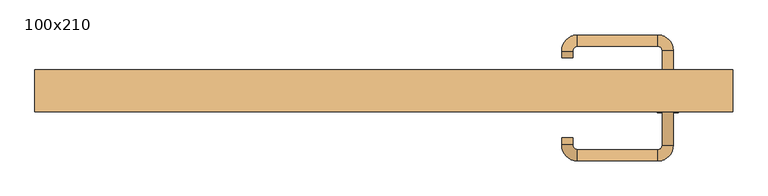
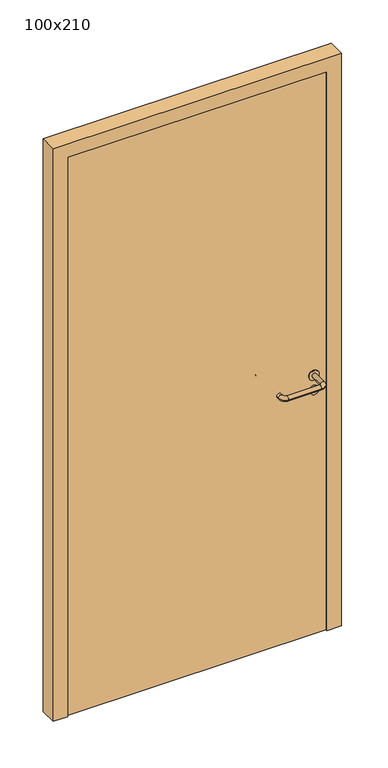
"""IFC4 building model written with IfcOpenShell, lengths in millimetres: door geometry, 100x210."""

import ifcopenshell
import ifcopenshell.guid

model = None  # the IFC model being written
_history = None  # IfcOwnerHistory: only IFC2X3 demands one
_inside = {}  # id of a spatial element -> (the spatial element, [elements in it])
_under = {}  # id of a project, library or spatial element -> (it, [spatial elements below it])
_declared = {}  # id of a project -> (the project, [libraries it declares])
_typed = {}  # id of a type object -> (the type object, [elements of that type])
_made_of = {}  # id of a material, layer set ... -> (it, [elements and type objects made of it])


def new_model(schema):
    """Start an empty IFC model of exactly this schema.

    Asked for "IFC4X3", IfcOpenShell would pick the latest addendum, in which some entities
    have other attributes; the version numbers below select the first issue.
    IFC2X3 requires an IfcOwnerHistory on every rooted entity: one is made here for all.
    """
    global model, _history
    if schema == "IFC4X3":
        model = ifcopenshell.file(schema_version=(4, 3, 0, 0))
    else:
        model = ifcopenshell.file(schema=schema)
    _inside.clear()
    _under.clear()
    _declared.clear()
    _typed.clear()
    _made_of.clear()
    _history = None
    if model.schema == "IFC2X3":
        org = make("IfcOrganization", Name="unknown")
        user = make(
            "IfcPersonAndOrganization",
            ThePerson=make("IfcPerson", FamilyName="unknown"),
            TheOrganization=org,
        )
        app = make(
            "IfcApplication",
            ApplicationDeveloper=org,
            Version="unknown",
            ApplicationFullName="unknown",
            ApplicationIdentifier="unknown",
        )
        _history = make(
            "IfcOwnerHistory",
            OwningUser=user,
            OwningApplication=app,
            ChangeAction="ADDED",
            CreationDate=0,
        )
    return model


def make(cls, **values):
    """One entity of the class cls with the attributes given. An attribute that is None is left unset."""
    return model.create_entity(
        cls, **{name: value for name, value in values.items() if value is not None}
    )


def rooted(cls, **values):
    """An entity with a GlobalId (a new one), such as an element, a storey or a relation."""
    return make(cls, GlobalId=ifcopenshell.guid.new(), OwnerHistory=_history, **values)


def si_unit(unit_type, name, prefix=None):
    """IfcSIUnit, for example si_unit("LENGTHUNIT", "METRE", prefix="MILLI")."""
    return make("IfcSIUnit", UnitType=unit_type, Prefix=prefix, Name=name)


def assignment(units):
    """IfcUnitAssignment: the units of a project."""
    return None if units is None else make("IfcUnitAssignment", Units=units)


def point(xyz):
    """IfcCartesianPoint."""
    return None if xyz is None else make("IfcCartesianPoint", Coordinates=xyz)


def direction(xyz):
    """IfcDirection."""
    return None if xyz is None else make("IfcDirection", DirectionRatios=xyz)


def frame(location, z_axis=None, x_axis=None):
    """IfcAxis2Placement3D, a coordinate frame: its origin and axes. An axis left out is left unset."""
    return make(
        "IfcAxis2Placement3D",
        Location=point(location),
        Axis=direction(z_axis),
        RefDirection=direction(x_axis),
    )


def frame_2d(location, x_axis=None):
    """IfcAxis2Placement2D, a coordinate frame in the plane: its origin and x axis."""
    return make(
        "IfcAxis2Placement2D", Location=point(location), RefDirection=direction(x_axis)
    )


def origin():
    """The frame at (0, 0, 0) with its axes left unset."""
    return frame((0.0, 0.0, 0.0))


def origin_with_axes():
    """The frame at (0, 0, 0) with the z axis (0, 0, 1) and the x axis (1, 0, 0) written out."""
    return frame((0.0, 0.0, 0.0), z_axis=(0.0, 0.0, 1.0), x_axis=(1.0, 0.0, 0.0))


def place(relative_to, where):
    """IfcLocalPlacement: puts the frame where relative to a parent placement (None: the world)."""
    return make(
        "IfcLocalPlacement", PlacementRelTo=relative_to, RelativePlacement=where
    )


def context(
    kind, dimensions, precision=None, world=None, true_north=None, identifier=None
):
    """IfcGeometricRepresentationContext, for example the 3D "Model" context."""
    return make(
        "IfcGeometricRepresentationContext",
        ContextIdentifier=identifier,
        ContextType=kind,
        CoordinateSpaceDimension=dimensions,
        Precision=precision,
        WorldCoordinateSystem=world,
        TrueNorth=true_north,
    )


def project(units=None, contexts=None):
    """IfcProject with its units and contexts."""
    return rooted(
        "IfcProject",
        Name="project",
        RepresentationContexts=contexts,
        UnitsInContext=assignment(units),
    )


def spatial(cls, under=None, at=None, **own):
    """A site, building, storey or space (cls), placed at a placement, below another one or the project."""
    s = rooted(cls, ObjectPlacement=at, **own)
    if under is not None:
        _under.setdefault(under.id(), (under, []))[1].append(s)
    return s


def polyline(points):
    """IfcPolyline through the points."""
    return make("IfcPolyline", Points=[point(p) for p in points])


def circle_curve(where, radius):
    """IfcCircle in the frame where."""
    return make("IfcCircle", Position=where, Radius=radius)


def ellipse_curve(where, semi_axis1, semi_axis2):
    """IfcEllipse in the frame where."""
    return make(
        "IfcEllipse", Position=where, SemiAxis1=semi_axis1, SemiAxis2=semi_axis2
    )


def trimmed(basis, trim1, trim2, sense, master):
    """IfcTrimmedCurve: the piece of a basis curve between two trims."""
    return make(
        "IfcTrimmedCurve",
        BasisCurve=basis,
        Trim1=trim1,
        Trim2=trim2,
        SenseAgreement=sense,
        MasterRepresentation=master,
    )


def segment(curve, same_sense, transition):
    """IfcCompositeCurveSegment."""
    return make(
        "IfcCompositeCurveSegment",
        Transition=transition,
        SameSense=same_sense,
        ParentCurve=curve,
    )


def composite_curve(segments, self_intersect=None):
    """IfcCompositeCurve: segments joined end to end."""
    return make("IfcCompositeCurve", Segments=segments, SelfIntersect=self_intersect)


def outline(outer, holes=None, kind="AREA"):
    """IfcArbitraryClosedProfileDef: a profile drawn as a closed curve; with holes, ...WithVoids."""
    if holes is None:
        return make("IfcArbitraryClosedProfileDef", ProfileType=kind, OuterCurve=outer)
    return make(
        "IfcArbitraryProfileDefWithVoids",
        ProfileType=kind,
        OuterCurve=outer,
        InnerCurves=holes,
    )


def extrude(swept, where, along, depth):
    """IfcExtrudedAreaSolid: the profile swept, set in the frame where, extruded along a direction by depth."""
    return make(
        "IfcExtrudedAreaSolid",
        SweptArea=swept,
        Position=where,
        ExtrudedDirection=direction(along),
        Depth=depth,
    )


def shape(context_of_items, identifier, shape_type, items):
    """IfcShapeRepresentation: the items that make up one representation, for example the "Body"."""
    return make(
        "IfcShapeRepresentation",
        ContextOfItems=context_of_items,
        RepresentationIdentifier=identifier,
        RepresentationType=shape_type,
        Items=items,
    )


def source(mapping_origin, context_of_items, identifier, shape_type, items):
    """IfcRepresentationMap: a shape defined once, which mapped items show again and again."""
    return make(
        "IfcRepresentationMap",
        MappingOrigin=mapping_origin,
        MappedRepresentation=shape(context_of_items, identifier, shape_type, items),
    )


def transform(
    local_origin,
    x_axis=None,
    y_axis=None,
    z_axis=None,
    scale=None,
    scale2=None,
    scale3=None,
    uniform=True,
):
    """IfcCartesianTransformationOperator3D, or its non-uniform kind. x_axis, y_axis, z_axis: its Axis1, 2, 3."""
    if uniform:
        return make(
            "IfcCartesianTransformationOperator3D",
            Axis1=direction(x_axis),
            Axis2=direction(y_axis),
            LocalOrigin=point(local_origin),
            Scale=scale,
            Axis3=direction(z_axis),
        )
    return make(
        "IfcCartesianTransformationOperator3DnonUniform",
        Axis1=direction(x_axis),
        Axis2=direction(y_axis),
        LocalOrigin=point(local_origin),
        Scale=scale,
        Axis3=direction(z_axis),
        Scale2=scale2,
        Scale3=scale3,
    )


def mapped(mapping_source, mapping_target):
    """IfcMappedItem: shows the shape of a source again, moved by a transform."""
    return make(
        "IfcMappedItem", MappingSource=mapping_source, MappingTarget=mapping_target
    )


def made_of(thing, what):
    """Note that an element or type object is made of a material, layer set ...; save() writes the relation."""
    if what is not None:
        _made_of.setdefault(what.id(), (what, []))[1].append(thing)
    return thing


def element(
    cls,
    number,
    at=None,
    inside=None,
    cuts=None,
    type_object=None,
    material=None,
    context=None,
    identifier="Body",
    shape_type=None,
    held_by="IfcProductDefinitionShape",
    body=None,
    shapes=None,
    **own,
):
    """One element of the class cls, such as IfcWall. Its Tag is "e" and its number.

    at: its placement. inside: the storey or other place that contains it. cuts: it is an
    opening in that element (IfcRelVoidsElement). A single representation is given by context,
    identifier, shape_type and body (its items); several are given by shapes. held_by: the class
    of the entity that holds the representations. save() writes the other relations.
    """
    e = rooted(cls, Tag="e%d" % number, ObjectPlacement=at, **own)
    if body is not None:
        shapes = [shape(context, identifier, shape_type, body)]
    if shapes is not None:
        e.Representation = make(held_by, Representations=shapes)
    if inside is not None:
        _inside.setdefault(inside.id(), (inside, []))[1].append(e)
    if cuts is not None:
        rooted(
            "IfcRelVoidsElement", RelatingBuildingElement=cuts, RelatedOpeningElement=e
        )
    if type_object is not None:
        _typed.setdefault(type_object.id(), (type_object, []))[1].append(e)
    return made_of(e, material)


def aggregate(whole, parts):
    """IfcRelAggregates: a whole, such as a stair, and the parts it consists of."""
    return rooted("IfcRelAggregates", RelatingObject=whole, RelatedObjects=parts)


def save(model, path):
    """Write the relations noted so far, then the file.

    IfcRelAggregates (storeys below a building ...), IfcRelContainedInSpatialStructure (elements
    in a storey), IfcRelDefinesByType, IfcRelAssociatesMaterial and IfcRelDeclares: one each for
    every whole, place, type object, material and project.
    """
    for whole, parts in _under.values():
        aggregate(whole, parts)
    for where, things in _inside.values():
        rooted(
            "IfcRelContainedInSpatialStructure",
            RelatedElements=things,
            RelatingStructure=where,
        )
    for kind, things in _typed.values():
        rooted("IfcRelDefinesByType", RelatedObjects=things, RelatingType=kind)
    for what, things in _made_of.values():
        rooted("IfcRelAssociatesMaterial", RelatedObjects=things, RelatingMaterial=what)
    for by, libraries in _declared.values():
        rooted("IfcRelDeclares", RelatingContext=by, RelatedDefinitions=libraries)
    model.write(path)


def plane_surface(at):
    """IfcPlane: the flat surface through the origin of the frame at, square to its z axis."""
    return make("IfcPlane", Position=at)


def cylinder_surface(at, radius):
    """IfcCylindricalSurface: all points at the distance radius from the z axis of the frame at."""
    return make("IfcCylindricalSurface", Position=at, Radius=radius)


def revolved_surface(curve, axis_point, axis_direction):
    """IfcSurfaceOfRevolution: the curve turned about the line through axis_point along axis_direction."""
    return make(
        "IfcSurfaceOfRevolution",
        SweptCurve=make("IfcArbitraryOpenProfileDef", ProfileType="CURVE", Curve=curve),
        AxisPosition=make("IfcAxis1Placement", Location=point(axis_point), Axis=direction(axis_direction)),
    )


def advanced_brep(points, edges, surfaces, faces):
    """IfcAdvancedBrep: a solid bounded by faces that lie on surfaces and meet in shared edges.

    An edge is (start, end): straight between two places in points (the first is 0);
    or (start, end, curve); or (start, end, curve, False) where it runs against its curve.
    A face is (place in surfaces, loops), or (place, loops, False) where it looks against
    its surface's normal. A loop lists edges by number (the first is 1), with a minus sign
    where the edge is run from its end to its start. The first loop is the outer one.
    """
    corners = [point(p) for p in points]
    vertices = [make("IfcVertexPoint", VertexGeometry=c) for c in corners]
    made = []
    for start, end, *more in edges:
        made.append(
            make(
                "IfcEdgeCurve",
                EdgeStart=vertices[start],
                EdgeEnd=vertices[end],
                EdgeGeometry=more[0] if more else make("IfcPolyline", Points=[corners[start], corners[end]]),
                SameSense=more[1] if len(more) > 1 else True,
            )
        )
    hull = []
    for where, loops, *sense in faces:
        bounds = []
        for j, loop in enumerate(loops):
            ring = [make("IfcOrientedEdge", EdgeElement=made[abs(k) - 1], Orientation=k > 0) for k in loop]
            bounds.append(
                make(
                    "IfcFaceOuterBound" if j == 0 else "IfcFaceBound",
                    Bound=make("IfcEdgeLoop", EdgeList=ring),
                    Orientation=True,
                )
            )
        hull.append(make("IfcAdvancedFace", Bounds=bounds, FaceSurface=surfaces[where], SameSense=sense[0] if sense else True))
    return make("IfcAdvancedBrep", Outer=make("IfcClosedShell", CfsFaces=hull))


def door_100x210_693aba44(model_context):
    return source(origin(), model_context, "Body", "SolidModel", [
        extrude(outline(composite_curve([segment(trimmed(circle_curve(frame_2d((897.3605726, 407.0)), 15.0), [point((897.3605726, 422.0))], [point((897.3605726, 392.0))], False, "CARTESIAN"), True, "CONTINUOUS"), segment(trimmed(circle_curve(frame_2d((897.3605726, 407.0)), 15.0), [point((897.3605726, 392.0))], [point((897.3605726, 422.0))], False, "CARTESIAN"), True, "CONTINUOUS")], self_intersect=False), holes=[composite_curve([segment(trimmed(circle_curve(frame_2d((892.5833211, 406.9398032)), 2.0), [point((892.5833211, 408.9398032))], [point((892.5833211, 404.9398032))], True, "CARTESIAN"), True, "CONTINUOUS"), segment(polyline([(892.5833211, 404.9398032), (902.5833211, 404.9398032)]), True, "CONTINUOUS"), segment(trimmed(circle_curve(frame_2d((902.5833211, 406.9398032)), 2.0), [point((902.5833211, 404.9398032))], [point((902.5833211, 408.9398032))], True, "CARTESIAN"), True, "CONTINUOUS"), segment(polyline([(902.5833211, 408.9398032), (892.5833211, 408.9398032)]), True, "CONTINUOUS")], self_intersect=False)]), frame((0.0, -5.0, 0.0), z_axis=(0.0, 1.0, 0.0), x_axis=(0.0, 0.0, 1.0)), (0.0, 0.0, 1.0), 6.35),
        extrude(outline(composite_curve([segment(trimmed(circle_curve(frame_2d((950.0, 407.0)), 17.526), [point((950.0, 424.526))], [point((950.0, 389.474))], False, "CARTESIAN"), True, "CONTINUOUS"), segment(trimmed(circle_curve(frame_2d((950.0, 407.0)), 17.526), [point((950.0, 389.474))], [point((950.0, 424.526))], False, "CARTESIAN"), True, "CONTINUOUS")], self_intersect=False)), frame((0.0, -5.0, 0.0), z_axis=(0.0, 1.0, 0.0), x_axis=(0.0, 0.0, 1.0)), (0.0, 0.0, 1.0), 3.175),
        advanced_brep(
        [(415.0, -5.0, 950.0), (399.0, -5.0, 950.0), (415.0, 48.0, 950.0), (399.0, 48.0, 950.0), (392.8578644, 54.1421356, 950.0), (392.8578644, 70.1421356, 950.0), (277.8578644, 70.1421356, 950.0), (277.8578644, 54.1421356, 950.0), (271.008622, 47.2928932, 950.0), (255.008622, 47.2928932, 950.0), (255.008622, 37.2928932, 950.0), (271.008622, 37.2928932, 950.0)],
        [
            (0, 1, circle_curve(frame((407.0, -5.0, 950.0), z_axis=(0.0, -1.0, 0.0), x_axis=(-1.0, 0.0, 0.0)), 8.0)),
            (1, 0, circle_curve(frame((407.0, -5.0, 950.0), z_axis=(0.0, -1.0, 0.0), x_axis=(-1.0, 0.0, 0.0)), 8.0)),
            (0, 2),
            (2, 3, circle_curve(frame((407.0, 48.0, 950.0), z_axis=(0.0, -1.0, 0.0), x_axis=(-1.0, 0.0, 0.0)), 8.0)),
            (3, 1),
            (3, 2, circle_curve(frame((407.0, 48.0, 950.0), z_axis=(0.0, -1.0, 0.0), x_axis=(-1.0, 0.0, 0.0)), 8.0)),
            (4, 3, circle_curve(frame((392.8578644, 48.0, 950.0), z_axis=(0.0, 0.0, -1.0), x_axis=(1.0, 0.0, 0.0)), 6.1421356)),
            (2, 5, circle_curve(frame((392.8578644, 48.0, 950.0), z_axis=(0.0, 0.0, 1.0), x_axis=(1.0, 0.0, 0.0)), 22.1421356)),
            (5, 4, circle_curve(frame((392.8578644, 62.1421356, 950.0), z_axis=(1.0, 0.0, 0.0), x_axis=(0.0, -1.0, 0.0)), 8.0)),
            (4, 5, circle_curve(frame((392.8578644, 62.1421356, 950.0), z_axis=(1.0, 0.0, 0.0), x_axis=(0.0, -1.0, 0.0)), 8.0)),
            (5, 6),
            (6, 7, circle_curve(frame((277.8578644, 62.1421356, 950.0), z_axis=(1.0, 0.0, 0.0), x_axis=(0.0, -1.0, 0.0)), 8.0)),
            (7, 4),
            (7, 6, circle_curve(frame((277.8578644, 62.1421356, 950.0), z_axis=(1.0, 0.0, 0.0), x_axis=(0.0, -1.0, 0.0)), 8.0)),
            (8, 7, circle_curve(frame((277.8578644, 47.2928932, 950.0), z_axis=(0.0, 0.0, -1.0), x_axis=(0.0, 1.0, 0.0)), 6.8492424)),
            (6, 9, circle_curve(frame((277.8578644, 47.2928932, 950.0), z_axis=(0.0, 0.0, 1.0), x_axis=(0.0, 1.0, 0.0)), 22.8492424)),
            (9, 8, circle_curve(frame((263.008622, 47.2928932, 950.0), z_axis=(0.0, 1.0, 0.0), x_axis=(1.0, 0.0, 0.0)), 8.0)),
            (8, 9, circle_curve(frame((263.008622, 47.2928932, 950.0), z_axis=(0.0, 1.0, 0.0), x_axis=(1.0, 0.0, 0.0)), 8.0)),
            (10, 11, circle_curve(frame((263.008622, 37.2928932, 950.0), z_axis=(0.0, -1.0, 0.0), x_axis=(1.0, 0.0, 0.0)), 8.0)),
            (11, 10, circle_curve(frame((263.008622, 37.2928932, 950.0), z_axis=(0.0, -1.0, 0.0), x_axis=(1.0, 0.0, 0.0)), 8.0)),
            (9, 10),
            (11, 8),
        ],
        [
            plane_surface(frame((407.0, -5.0, 0.0), z_axis=(0.0, -1.0, 0.0), x_axis=(0.0, 0.0, 1.0))),
            cylinder_surface(frame((407.0, -5.0, 950.0), z_axis=(0.0, -1.0, 0.0), x_axis=(-1.0, 0.0, 0.0)), 8.0),
            revolved_surface(trimmed(ellipse_curve(frame((407.0, 48.0, 950.0), z_axis=(0.0, -1.0, 0.0), x_axis=(-1.0, 0.0, 0.0)), 8.0, 8.0), [point((415.0, 48.0, 950.0))], [point((399.0, 48.0, 950.0))], True, "CARTESIAN"), (392.8578644, 48.0, 0.0), (0.0, 0.0, 1.0)),
            revolved_surface(trimmed(ellipse_curve(frame((407.0, 48.0, 950.0), z_axis=(0.0, -1.0, 0.0), x_axis=(-1.0, 0.0, 0.0)), 8.0, 8.0), [point((399.0, 48.0, 950.0))], [point((415.0, 48.0, 950.0))], True, "CARTESIAN"), (392.8578644, 48.0, 0.0), (0.0, 0.0, 1.0)),
            cylinder_surface(frame((392.8578644, 62.1421356, 950.0), z_axis=(1.0, 0.0, 0.0), x_axis=(0.0, -1.0, 0.0)), 8.0),
            revolved_surface(trimmed(ellipse_curve(frame((277.8578644, 62.1421356, 950.0), z_axis=(1.0, 0.0, 0.0), x_axis=(0.0, -1.0, 0.0)), 8.0, 8.0), [point((277.8578644, 70.1421356, 950.0))], [point((277.8578644, 54.1421356, 950.0))], True, "CARTESIAN"), (277.8578644, 47.2928932, 0.0), (0.0, 0.0, 1.0)),
            revolved_surface(trimmed(ellipse_curve(frame((277.8578644, 62.1421356, 950.0), z_axis=(1.0, 0.0, 0.0), x_axis=(0.0, -1.0, 0.0)), 8.0, 8.0), [point((277.8578644, 54.1421356, 950.0))], [point((277.8578644, 70.1421356, 950.0))], True, "CARTESIAN"), (277.8578644, 47.2928932, 0.0), (0.0, 0.0, 1.0)),
            plane_surface(frame((263.008622, 37.2928932, 0.0), z_axis=(0.0, -1.0, 0.0), x_axis=(0.0, 0.0, 1.0))),
            cylinder_surface(frame((263.008622, 47.2928932, 950.0), z_axis=(0.0, 1.0, 0.0), x_axis=(1.0, 0.0, 0.0)), 8.0),
        ],
        [
            (0, [[1, 2]]),
            (1, [[-1, 3, 4, 5]]),
            (1, [[-2, -5, 6, -3]]),
            (2, [[7, -4, 8, 9]]),
            (3, [[-8, -6, -7, 10]]),
            (4, [[-9, 11, 12, 13]]),
            (4, [[-10, -13, 14, -11]]),
            (5, [[15, -12, 16, 17]]),
            (6, [[-16, -14, -15, 18]]),
            (7, [[19, 20]]),
            (8, [[-17, 21, -20, 22]]),
            (8, [[-18, -22, -19, -21]]),
        ],
    ),
        extrude(outline(composite_curve([segment(trimmed(circle_curve(frame_2d((0.0, 15.0)), 15.0), [point((0.0, 30.0))], [point((0.0, 0.0))], False, "CARTESIAN"), True, "CONTINUOUS"), segment(trimmed(circle_curve(frame_2d((0.0, 15.0)), 15.0), [point((0.0, 0.0))], [point((0.0, 30.0))], False, "CARTESIAN"), True, "CONTINUOUS")], self_intersect=False), holes=[composite_curve([segment(trimmed(circle_curve(frame_2d((-4.7772515, 14.9398032)), 2.0), [point((-4.7772515, 16.9398032))], [point((-4.7772515, 12.9398032))], True, "CARTESIAN"), True, "CONTINUOUS"), segment(polyline([(-4.7772515, 12.9398032), (5.2227485, 12.9398032)]), True, "CONTINUOUS"), segment(trimmed(circle_curve(frame_2d((5.2227485, 14.9398032)), 2.0), [point((5.2227485, 12.9398032))], [point((5.2227485, 16.9398032))], True, "CARTESIAN"), True, "CONTINUOUS"), segment(polyline([(5.2227485, 16.9398032), (-4.7772515, 16.9398032)]), True, "CONTINUOUS")], self_intersect=False)]), frame((392.0, -41.35, 897.3605726), z_axis=(-1.8870575173328306e-12, 1.0, 0.0), x_axis=(0.0, 0.0, 1.0)), (0.0, 0.0, 1.0), 6.35),
        extrude(outline(composite_curve([segment(trimmed(circle_curve(frame_2d((0.0, 17.526)), 17.526), [point((0.0, 35.052))], [point((0.0, 0.0))], False, "CARTESIAN"), True, "CONTINUOUS"), segment(trimmed(circle_curve(frame_2d((0.0, 17.526)), 17.526), [point((0.0, 0.0))], [point((0.0, 35.052))], False, "CARTESIAN"), True, "CONTINUOUS")], self_intersect=False)), frame((389.474, -38.175, 950.0), z_axis=(-1.8870575173328306e-12, 1.0, 0.0), x_axis=(0.0, 0.0, 1.0)), (0.0, 0.0, 1.0), 3.175),
        advanced_brep(
        [(415.0, -35.0, 950.0), (399.0, -35.0, 950.0), (399.0, -88.0, 950.0), (415.0, -88.0, 950.0), (392.8578644, -94.1421356, 950.0), (392.8578644, -110.1421356, 950.0), (277.8578644, -94.1421356, 950.0), (277.8578644, -110.1421356, 950.0), (271.008622, -87.2928932, 950.0), (255.008622, -87.2928932, 950.0), (255.008622, -77.2928932, 950.0), (271.008622, -77.2928932, 950.0)],
        [
            (0, 1, circle_curve(frame((407.0, -35.0, 950.0), z_axis=(-1.888672253512351e-12, 1.0, 0.0), x_axis=(-1.0, -1.888672253512351e-12, 0.0)), 8.0)),
            (1, 0, circle_curve(frame((407.0, -35.0, 950.0), z_axis=(-1.888672253512351e-12, 1.0, 0.0), x_axis=(-1.0, -1.888672253512351e-12, 0.0)), 8.0)),
            (1, 2),
            (2, 3, circle_curve(frame((407.0, -88.0, 950.0), z_axis=(-1.888672253512351e-12, 1.0, 0.0), x_axis=(-1.0, -1.888672253512351e-12, 0.0)), 8.0)),
            (3, 0),
            (3, 2, circle_curve(frame((407.0, -88.0, 950.0), z_axis=(-1.888672253512351e-12, 1.0, 0.0), x_axis=(-1.0, -1.888672253512351e-12, 0.0)), 8.0)),
            (4, 5, circle_curve(frame((392.8578644, -102.1421356, 950.0), z_axis=(1.0, 1.913702061528922e-12, 0.0), x_axis=(-1.913702061528922e-12, 1.0, 0.0)), 8.0)),
            (5, 3, circle_curve(frame((392.8578644, -88.0, 950.0), z_axis=(0.0, 0.0, 1.0), x_axis=(1.0, 1.880717803715015e-12, 0.0)), 22.1421356)),
            (2, 4, circle_curve(frame((392.8578644, -88.0, 950.0), z_axis=(0.0, 0.0, -1.0), x_axis=(1.0, 1.880717803715015e-12, 0.0)), 6.1421356)),
            (5, 4, circle_curve(frame((392.8578644, -102.1421356, 950.0), z_axis=(1.0, 1.913702061528922e-12, 0.0), x_axis=(-1.913702061528922e-12, 1.0, 0.0)), 8.0)),
            (4, 6),
            (6, 7, circle_curve(frame((277.8578644, -102.1421356, 950.0), z_axis=(1.0, 1.913719828541269e-12, 0.0), x_axis=(-1.913719828541269e-12, 1.0, 0.0)), 8.0)),
            (7, 5),
            (7, 6, circle_curve(frame((277.8578644, -102.1421356, 950.0), z_axis=(1.0, 1.913719828541269e-12, 0.0), x_axis=(-1.913719828541269e-12, 1.0, 0.0)), 8.0)),
            (8, 9, circle_curve(frame((263.008622, -87.2928932, 950.0), z_axis=(1.8888942981172756e-12, -1.0, 0.0), x_axis=(1.0, 1.8888942981172756e-12, 0.0)), 8.0)),
            (9, 7, circle_curve(frame((277.8578644, -87.2928932, 950.0), z_axis=(0.0, 0.0, 1.0), x_axis=(1.9120873253494017e-12, -1.0, 0.0)), 22.8492424)),
            (6, 8, circle_curve(frame((277.8578644, -87.2928932, 950.0), z_axis=(0.0, 0.0, -1.0), x_axis=(1.9120873253494017e-12, -1.0, 0.0)), 6.8492424)),
            (9, 8, circle_curve(frame((263.008622, -87.2928932, 950.0), z_axis=(1.890448610351751e-12, -1.0, 0.0), x_axis=(1.0, 1.890448610351751e-12, 0.0)), 8.0)),
            (10, 11, circle_curve(frame((263.008622, -77.2928932, 950.0), z_axis=(-1.8903642334018795e-12, 1.0, 0.0), x_axis=(1.0, 1.8903642334018795e-12, 0.0)), 8.0)),
            (11, 10, circle_curve(frame((263.008622, -77.2928932, 950.0), z_axis=(-1.8903642334018795e-12, 1.0, 0.0), x_axis=(1.0, 1.8903642334018795e-12, 0.0)), 8.0)),
            (8, 11),
            (10, 9),
        ],
        [
            plane_surface(frame((407.0, -35.0, 0.0), z_axis=(-1.8870575173328306e-12, 1.0, 0.0), x_axis=(0.0, 0.0, 1.0))),
            cylinder_surface(frame((407.0, -35.0, 950.0), z_axis=(-1.888672253512351e-12, 1.0, 0.0), x_axis=(-1.0, -1.888672253512351e-12, 0.0)), 8.0),
            revolved_surface(trimmed(ellipse_curve(frame((407.0, -88.0, 950.0), z_axis=(1.8823325398945356e-12, -1.0, 0.0), x_axis=(-1.0, -1.8823325398945356e-12, 0.0)), 8.0, 8.0), [point((415.0, -88.0, 950.0))], [point((399.0, -88.0, 950.0))], True, "CARTESIAN"), (392.8578644, -88.0, 0.0), (0.0, 0.0, 1.0)),
            revolved_surface(trimmed(ellipse_curve(frame((407.0, -88.0, 950.0), z_axis=(1.8823325398945356e-12, -1.0, 0.0), x_axis=(-1.0, -1.8823325398945356e-12, 0.0)), 8.0, 8.0), [point((399.0, -88.0, 950.0))], [point((415.0, -88.0, 950.0))], True, "CARTESIAN"), (392.8578644, -88.0, 0.0), (0.0, 0.0, 1.0)),
            cylinder_surface(frame((392.8578644, -102.1421356, 950.0), z_axis=(1.0, 1.913719828541269e-12, 0.0), x_axis=(-1.913719828541269e-12, 1.0, 0.0)), 8.0),
            revolved_surface(trimmed(ellipse_curve(frame((277.8578644, -102.1421356, 950.0), z_axis=(-1.0, -1.913702061528922e-12, 0.0), x_axis=(-1.913702061528922e-12, 1.0, 0.0)), 8.0, 8.0), [point((277.8578644, -110.1421356, 950.0))], [point((277.8578644, -94.1421356, 950.0))], True, "CARTESIAN"), (277.8578644, -87.2928932, 0.0), (0.0, 0.0, 1.0)),
            revolved_surface(trimmed(ellipse_curve(frame((277.8578644, -102.1421356, 950.0), z_axis=(-1.0, -1.913702061528922e-12, 0.0), x_axis=(-1.913702061528922e-12, 1.0, 0.0)), 8.0, 8.0), [point((277.8578644, -94.1421356, 950.0))], [point((277.8578644, -110.1421356, 950.0))], True, "CARTESIAN"), (277.8578644, -87.2928932, 0.0), (0.0, 0.0, 1.0)),
            plane_surface(frame((263.008622, -77.2928932, 0.0), z_axis=(-1.8887494972223595e-12, 1.0, 0.0), x_axis=(0.0, 0.0, 1.0))),
            cylinder_surface(frame((263.008622, -87.2928932, 950.0), z_axis=(1.8903642334018795e-12, -1.0, 0.0), x_axis=(1.0, 1.8903642334018795e-12, 0.0)), 8.0),
        ],
        [
            (0, [[1, 2]]),
            (1, [[3, 4, 5, -2]]),
            (1, [[-5, 6, -3, -1]]),
            (2, [[7, 8, -4, 9]]),
            (3, [[10, -9, -6, -8]]),
            (4, [[11, 12, 13, -7]]),
            (4, [[-13, 14, -11, -10]]),
            (5, [[15, 16, -12, 17]]),
            (6, [[18, -17, -14, -16]]),
            (7, [[19, 20]]),
            (8, [[21, -19, 22, -15]]),
            (8, [[-22, -20, -21, -18]]),
        ],
    ),
        extrude(outline(polyline([(2050.0, 450.0), (0.0, 450.0), (0.0, 500.0), (2100.0, 500.0), (2100.0, -500.0), (0.0, -500.0), (0.0, -450.0), (2050.0, -450.0), (2050.0, 450.0)])), frame((0.0, -40.0, 0.0), z_axis=(0.0, 1.0, 0.0), x_axis=(0.0, 0.0, 1.0)), (0.0, 0.0, 1.0), 60.0),
        extrude(outline(polyline([(-450.0, -35.0), (-450.0, -5.0), (450.0, -5.0), (450.0, -35.0), (-450.0, -35.0)])), origin_with_axes(), (0.0, 0.0, 1.0), 2050.0),
    ])


if __name__ == "__main__":
    model = new_model("IFC4")
    model_context = context("Model", 3, world=origin())
    ifc_project = project(units=[si_unit("LENGTHUNIT", "METRE", prefix="MILLI")], contexts=[model_context])
    site = spatial("IfcSite", under=ifc_project)
    building = spatial("IfcBuilding", under=site)
    placement = place(None, origin())
    door_100x210_shape = door_100x210_693aba44(model_context)
    element("IfcDoor", 1, ObjectType="100x210", at=placement, inside=building, context=model_context, shape_type="MappedRepresentation", body=[
        mapped(door_100x210_shape, transform((0.0, 0.0, 0.0), x_axis=(1.0, 0.0, 0.0), y_axis=(0.0, 1.0, 0.0), z_axis=(0.0, 0.0, 1.0))),
    ])
    save(model, "model.ifc")
